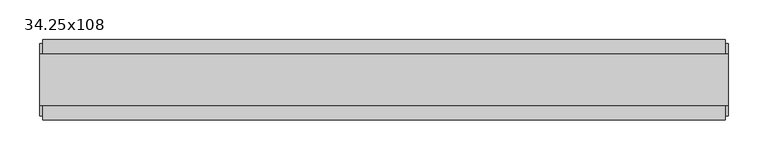
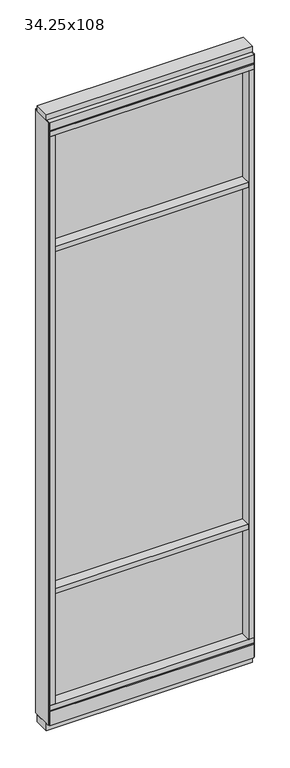
"""IFC4 building model written with IfcOpenShell, lengths in millimetres: furniture geometry, 34.25x108."""

import ifcopenshell
import ifcopenshell.guid

model = None  # the IFC model being written
_history = None  # IfcOwnerHistory: only IFC2X3 demands one
_inside = {}  # id of a spatial element -> (the spatial element, [elements in it])
_under = {}  # id of a project, library or spatial element -> (it, [spatial elements below it])
_declared = {}  # id of a project -> (the project, [libraries it declares])
_typed = {}  # id of a type object -> (the type object, [elements of that type])
_made_of = {}  # id of a material, layer set ... -> (it, [elements and type objects made of it])


def new_model(schema):
    """Start an empty IFC model of exactly this schema.

    Asked for "IFC4X3", IfcOpenShell would pick the latest addendum, in which some entities
    have other attributes; the version numbers below select the first issue.
    IFC2X3 requires an IfcOwnerHistory on every rooted entity: one is made here for all.
    """
    global model, _history
    if schema == "IFC4X3":
        model = ifcopenshell.file(schema_version=(4, 3, 0, 0))
    else:
        model = ifcopenshell.file(schema=schema)
    _inside.clear()
    _under.clear()
    _declared.clear()
    _typed.clear()
    _made_of.clear()
    _history = None
    if model.schema == "IFC2X3":
        org = make("IfcOrganization", Name="unknown")
        user = make(
            "IfcPersonAndOrganization",
            ThePerson=make("IfcPerson", FamilyName="unknown"),
            TheOrganization=org,
        )
        app = make(
            "IfcApplication",
            ApplicationDeveloper=org,
            Version="unknown",
            ApplicationFullName="unknown",
            ApplicationIdentifier="unknown",
        )
        _history = make(
            "IfcOwnerHistory",
            OwningUser=user,
            OwningApplication=app,
            ChangeAction="ADDED",
            CreationDate=0,
        )
    return model


def make(cls, **values):
    """One entity of the class cls with the attributes given. An attribute that is None is left unset."""
    return model.create_entity(
        cls, **{name: value for name, value in values.items() if value is not None}
    )


def rooted(cls, **values):
    """An entity with a GlobalId (a new one), such as an element, a storey or a relation."""
    return make(cls, GlobalId=ifcopenshell.guid.new(), OwnerHistory=_history, **values)


def si_unit(unit_type, name, prefix=None):
    """IfcSIUnit, for example si_unit("LENGTHUNIT", "METRE", prefix="MILLI")."""
    return make("IfcSIUnit", UnitType=unit_type, Prefix=prefix, Name=name)


def assignment(units):
    """IfcUnitAssignment: the units of a project."""
    return None if units is None else make("IfcUnitAssignment", Units=units)


def point(xyz):
    """IfcCartesianPoint."""
    return None if xyz is None else make("IfcCartesianPoint", Coordinates=xyz)


def direction(xyz):
    """IfcDirection."""
    return None if xyz is None else make("IfcDirection", DirectionRatios=xyz)


def frame(location, z_axis=None, x_axis=None):
    """IfcAxis2Placement3D, a coordinate frame: its origin and axes. An axis left out is left unset."""
    return make(
        "IfcAxis2Placement3D",
        Location=point(location),
        Axis=direction(z_axis),
        RefDirection=direction(x_axis),
    )


def origin():
    """The frame at (0, 0, 0) with its axes left unset."""
    return frame((0.0, 0.0, 0.0))


def origin_with_axes():
    """The frame at (0, 0, 0) with the z axis (0, 0, 1) and the x axis (1, 0, 0) written out."""
    return frame((0.0, 0.0, 0.0), z_axis=(0.0, 0.0, 1.0), x_axis=(1.0, 0.0, 0.0))


def place(relative_to, where):
    """IfcLocalPlacement: puts the frame where relative to a parent placement (None: the world)."""
    return make(
        "IfcLocalPlacement", PlacementRelTo=relative_to, RelativePlacement=where
    )


def context(
    kind, dimensions, precision=None, world=None, true_north=None, identifier=None
):
    """IfcGeometricRepresentationContext, for example the 3D "Model" context."""
    return make(
        "IfcGeometricRepresentationContext",
        ContextIdentifier=identifier,
        ContextType=kind,
        CoordinateSpaceDimension=dimensions,
        Precision=precision,
        WorldCoordinateSystem=world,
        TrueNorth=true_north,
    )


def project(units=None, contexts=None):
    """IfcProject with its units and contexts."""
    return rooted(
        "IfcProject",
        Name="project",
        RepresentationContexts=contexts,
        UnitsInContext=assignment(units),
    )


def spatial(cls, under=None, at=None, **own):
    """A site, building, storey or space (cls), placed at a placement, below another one or the project."""
    s = rooted(cls, ObjectPlacement=at, **own)
    if under is not None:
        _under.setdefault(under.id(), (under, []))[1].append(s)
    return s


def polyline(points):
    """IfcPolyline through the points."""
    return make("IfcPolyline", Points=[point(p) for p in points])


def outline(outer, holes=None, kind="AREA"):
    """IfcArbitraryClosedProfileDef: a profile drawn as a closed curve; with holes, ...WithVoids."""
    if holes is None:
        return make("IfcArbitraryClosedProfileDef", ProfileType=kind, OuterCurve=outer)
    return make(
        "IfcArbitraryProfileDefWithVoids",
        ProfileType=kind,
        OuterCurve=outer,
        InnerCurves=holes,
    )


def extrude(swept, where, along, depth):
    """IfcExtrudedAreaSolid: the profile swept, set in the frame where, extruded along a direction by depth."""
    return make(
        "IfcExtrudedAreaSolid",
        SweptArea=swept,
        Position=where,
        ExtrudedDirection=direction(along),
        Depth=depth,
    )


def shape(context_of_items, identifier, shape_type, items):
    """IfcShapeRepresentation: the items that make up one representation, for example the "Body"."""
    return make(
        "IfcShapeRepresentation",
        ContextOfItems=context_of_items,
        RepresentationIdentifier=identifier,
        RepresentationType=shape_type,
        Items=items,
    )


def source(mapping_origin, context_of_items, identifier, shape_type, items):
    """IfcRepresentationMap: a shape defined once, which mapped items show again and again."""
    return make(
        "IfcRepresentationMap",
        MappingOrigin=mapping_origin,
        MappedRepresentation=shape(context_of_items, identifier, shape_type, items),
    )


def transform(
    local_origin,
    x_axis=None,
    y_axis=None,
    z_axis=None,
    scale=None,
    scale2=None,
    scale3=None,
    uniform=True,
):
    """IfcCartesianTransformationOperator3D, or its non-uniform kind. x_axis, y_axis, z_axis: its Axis1, 2, 3."""
    if uniform:
        return make(
            "IfcCartesianTransformationOperator3D",
            Axis1=direction(x_axis),
            Axis2=direction(y_axis),
            LocalOrigin=point(local_origin),
            Scale=scale,
            Axis3=direction(z_axis),
        )
    return make(
        "IfcCartesianTransformationOperator3DnonUniform",
        Axis1=direction(x_axis),
        Axis2=direction(y_axis),
        LocalOrigin=point(local_origin),
        Scale=scale,
        Axis3=direction(z_axis),
        Scale2=scale2,
        Scale3=scale3,
    )


def mapped(mapping_source, mapping_target):
    """IfcMappedItem: shows the shape of a source again, moved by a transform."""
    return make(
        "IfcMappedItem", MappingSource=mapping_source, MappingTarget=mapping_target
    )


def made_of(thing, what):
    """Note that an element or type object is made of a material, layer set ...; save() writes the relation."""
    if what is not None:
        _made_of.setdefault(what.id(), (what, []))[1].append(thing)
    return thing


def element(
    cls,
    number,
    at=None,
    inside=None,
    cuts=None,
    type_object=None,
    material=None,
    context=None,
    identifier="Body",
    shape_type=None,
    held_by="IfcProductDefinitionShape",
    body=None,
    shapes=None,
    **own,
):
    """One element of the class cls, such as IfcWall. Its Tag is "e" and its number.

    at: its placement. inside: the storey or other place that contains it. cuts: it is an
    opening in that element (IfcRelVoidsElement). A single representation is given by context,
    identifier, shape_type and body (its items); several are given by shapes. held_by: the class
    of the entity that holds the representations. save() writes the other relations.
    """
    e = rooted(cls, Tag="e%d" % number, ObjectPlacement=at, **own)
    if body is not None:
        shapes = [shape(context, identifier, shape_type, body)]
    if shapes is not None:
        e.Representation = make(held_by, Representations=shapes)
    if inside is not None:
        _inside.setdefault(inside.id(), (inside, []))[1].append(e)
    if cuts is not None:
        rooted(
            "IfcRelVoidsElement", RelatingBuildingElement=cuts, RelatedOpeningElement=e
        )
    if type_object is not None:
        _typed.setdefault(type_object.id(), (type_object, []))[1].append(e)
    return made_of(e, material)


def aggregate(whole, parts):
    """IfcRelAggregates: a whole, such as a stair, and the parts it consists of."""
    return rooted("IfcRelAggregates", RelatingObject=whole, RelatedObjects=parts)


def save(model, path):
    """Write the relations noted so far, then the file.

    IfcRelAggregates (storeys below a building ...), IfcRelContainedInSpatialStructure (elements
    in a storey), IfcRelDefinesByType, IfcRelAssociatesMaterial and IfcRelDeclares: one each for
    every whole, place, type object, material and project.
    """
    for whole, parts in _under.values():
        aggregate(whole, parts)
    for where, things in _inside.values():
        rooted(
            "IfcRelContainedInSpatialStructure",
            RelatedElements=things,
            RelatingStructure=where,
        )
    for kind, things in _typed.values():
        rooted("IfcRelDefinesByType", RelatedObjects=things, RelatingType=kind)
    for what, things in _made_of.values():
        rooted("IfcRelAssociatesMaterial", RelatedObjects=things, RelatingMaterial=what)
    for by, libraries in _declared.values():
        rooted("IfcRelDeclares", RelatingContext=by, RelatedDefinitions=libraries)
    model.write(path)


def furniture_34_25x108_e054b333(model_context):
    return source(origin(), model_context, "Body", "SweptSolid", [
        extrude(outline(polyline([(-468.8495229, 0.5622784), (348.7764771, 0.5622784), (348.7764771, -9.5977216), (-468.8495229, -9.5977216), (-468.8495229, 0.5622784)])), frame((0.0, 0.0, 2155.825), z_axis=(0.0, 0.0, 1.0), x_axis=(1.0, 0.0, 0.0)), (0.0, 0.0, 1.0), 498.475),
        extrude(outline(polyline([(-468.8495229, 0.5622784), (348.7764771, 0.5622784), (348.7764771, -9.5977216), (-468.8495229, -9.5977216), (-468.8495229, 0.5622784)])), frame((0.0, 0.0, 631.825), z_axis=(0.0, 0.0, 1.0), x_axis=(1.0, 0.0, 0.0)), (0.0, 0.0, 1.0), 1501.775),
        extrude(outline(polyline([(-468.8495229, -52.3332216), (-468.8495229, 43.2977784), (348.7764771, 43.2977784), (348.7764771, -52.3332216), (-468.8495229, -52.3332216)])), frame((0.0, 0.0, 2133.6), z_axis=(0.0, 0.0, 1.0), x_axis=(1.0, 0.0, 0.0)), (0.0, 0.0, 1.0), 22.225),
        extrude(outline(polyline([(-468.8495229, -52.3332216), (-468.8495229, 43.2977784), (348.7764771, 43.2977784), (348.7764771, -52.3332216), (-468.8495229, -52.3332216)])), frame((0.0, 0.0, 609.6), z_axis=(0.0, 0.0, 1.0), x_axis=(1.0, 0.0, 0.0)), (0.0, 0.0, 1.0), 22.225),
        extrude(outline(polyline([(348.7764771, -9.5977216), (-468.8495229, -9.5977216), (-468.8495229, 0.5622784), (348.7764771, 0.5622784), (348.7764771, -9.5977216)])), frame((0.0, 0.0, 120.523), z_axis=(0.0, 0.0, 1.0), x_axis=(1.0, 0.0, 0.0)), (0.0, 0.0, 1.0), 489.077),
        extrude(outline(polyline([(-55.3177216, 93.345), (-50.3647216, 93.345), (-50.3647216, 98.298), (41.3292784, 98.298), (41.3292784, 93.345), (46.2822784, 93.345), (46.2822784, 31.75), (-55.3177216, 31.75), (-55.3177216, 93.345)])), frame((-491.0745229, 0.0, 0.0), z_axis=(1.0, 0.0, 0.0), x_axis=(0.0, 1.0, 0.0)), (0.0, 0.0, 1.0), 862.076),
        extrude(outline(polyline([(-491.0745229, -55.3177216), (-491.0745229, 46.2822784), (371.0014771, 46.2822784), (371.0014771, -55.3177216), (-491.0745229, -55.3177216)])), frame((0.0, 0.0, 98.298), z_axis=(0.0, 0.0, 1.0), x_axis=(1.0, 0.0, 0.0)), (0.0, 0.0, 1.0), 22.225),
        extrude(outline(polyline([(374.9384771, 27.9942784), (374.9384771, -37.0297216), (-495.0115229, -37.0297216), (-495.0115229, 27.9942784), (374.9384771, 27.9942784)])), origin_with_axes(), (0.0, 0.0, 1.0), 31.75),
        extrude(outline(polyline([(-495.0115229, -37.0297216), (-495.0115229, 27.9942784), (374.9384771, 27.9942784), (374.9384771, -37.0297216), (-495.0115229, -37.0297216)])), frame((0.0, 0.0, 2717.8), z_axis=(0.0, 0.0, 1.0), x_axis=(1.0, 0.0, 0.0)), (0.0, 0.0, 1.0), 25.4),
        extrude(outline(polyline([(-55.3177216, 2681.478), (-55.3177216, 2717.8), (46.2822784, 2717.8), (46.2822784, 2681.478), (41.3292784, 2681.478), (41.3292784, 2676.525), (-50.3647216, 2676.525), (-50.3647216, 2681.478), (-55.3177216, 2681.478)])), frame((-491.0745229, 0.0, 0.0), z_axis=(1.0, 0.0, 0.0), x_axis=(0.0, 1.0, 0.0)), (0.0, 0.0, 1.0), 862.076),
        extrude(outline(polyline([(371.0014771, 46.2822784), (371.0014771, -55.3177216), (-491.0745229, -55.3177216), (-491.0745229, 46.2822784), (371.0014771, 46.2822784)])), frame((0.0, 0.0, 2654.3), z_axis=(0.0, 0.0, 1.0), x_axis=(1.0, 0.0, 0.0)), (0.0, 0.0, 1.0), 22.225),
        extrude(outline(polyline([(348.7764771, -55.3177216), (348.7764771, 46.2822784), (371.0014771, 46.2822784), (371.0014771, -55.3177216), (348.7764771, -55.3177216)])), frame((0.0, 0.0, 120.523), z_axis=(0.0, 0.0, 1.0), x_axis=(1.0, 0.0, 0.0)), (0.0, 0.0, 1.0), 2533.777),
        extrude(outline(polyline([(-468.8495229, -55.3177216), (-491.0745229, -55.3177216), (-491.0745229, 46.2822784), (-468.8495229, 46.2822784), (-468.8495229, -55.3177216)])), frame((0.0, 0.0, 120.523), z_axis=(0.0, 0.0, 1.0), x_axis=(1.0, 0.0, 0.0)), (0.0, 0.0, 1.0), 2533.777),
        extrude(outline(polyline([(374.9384771, -50.3647216), (371.0014771, -50.3647216), (371.0014771, 41.3292784), (374.9384771, 41.3292784), (374.9384771, -50.3647216)])), frame((0.0, 0.0, 31.75), z_axis=(0.0, 0.0, 1.0), x_axis=(1.0, 0.0, 0.0)), (0.0, 0.0, 1.0), 2686.05),
        extrude(outline(polyline([(-495.0115229, -50.3647216), (-495.0115229, 41.3292784), (-491.0745229, 41.3292784), (-491.0745229, -50.3647216), (-495.0115229, -50.3647216)])), frame((0.0, 0.0, 31.75), z_axis=(0.0, 0.0, 1.0), x_axis=(1.0, 0.0, 0.0)), (0.0, 0.0, 1.0), 2686.05),
    ])


if __name__ == "__main__":
    model = new_model("IFC4")
    model_context = context("Model", 3, world=origin())
    ifc_project = project(units=[si_unit("LENGTHUNIT", "METRE", prefix="MILLI")], contexts=[model_context])
    site = spatial("IfcSite", under=ifc_project)
    building = spatial("IfcBuilding", under=site)
    placement = place(None, origin())
    furniture_34_25x108_shape = furniture_34_25x108_e054b333(model_context)
    element("IfcFurniture", 1, ObjectType="34.25x108", at=placement, inside=building, context=model_context, shape_type="MappedRepresentation", body=[
        mapped(furniture_34_25x108_shape, transform((0.0, 0.0, 0.0), x_axis=(1.0, 0.0, 0.0), y_axis=(0.0, 1.0, 0.0), z_axis=(0.0, 0.0, 1.0))),
    ])
    save(model, "model.ifc")
